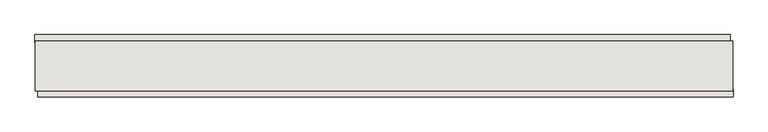
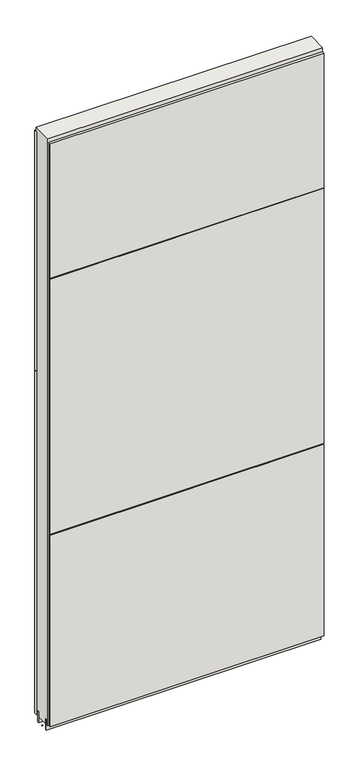
"""IFC4 building model written with IfcOpenShell, lengths in millimetres: wall geometry."""

import ifcopenshell
import ifcopenshell.guid

model = None  # the IFC model being written
_history = None  # IfcOwnerHistory: only IFC2X3 demands one
_inside = {}  # id of a spatial element -> (the spatial element, [elements in it])
_under = {}  # id of a project, library or spatial element -> (it, [spatial elements below it])
_declared = {}  # id of a project -> (the project, [libraries it declares])
_typed = {}  # id of a type object -> (the type object, [elements of that type])
_made_of = {}  # id of a material, layer set ... -> (it, [elements and type objects made of it])


def new_model(schema):
    """Start an empty IFC model of exactly this schema.

    Asked for "IFC4X3", IfcOpenShell would pick the latest addendum, in which some entities
    have other attributes; the version numbers below select the first issue.
    IFC2X3 requires an IfcOwnerHistory on every rooted entity: one is made here for all.
    """
    global model, _history
    if schema == "IFC4X3":
        model = ifcopenshell.file(schema_version=(4, 3, 0, 0))
    else:
        model = ifcopenshell.file(schema=schema)
    _inside.clear()
    _under.clear()
    _declared.clear()
    _typed.clear()
    _made_of.clear()
    _history = None
    if model.schema == "IFC2X3":
        org = make("IfcOrganization", Name="unknown")
        user = make(
            "IfcPersonAndOrganization",
            ThePerson=make("IfcPerson", FamilyName="unknown"),
            TheOrganization=org,
        )
        app = make(
            "IfcApplication",
            ApplicationDeveloper=org,
            Version="unknown",
            ApplicationFullName="unknown",
            ApplicationIdentifier="unknown",
        )
        _history = make(
            "IfcOwnerHistory",
            OwningUser=user,
            OwningApplication=app,
            ChangeAction="ADDED",
            CreationDate=0,
        )
    return model


def make(cls, **values):
    """One entity of the class cls with the attributes given. An attribute that is None is left unset."""
    return model.create_entity(
        cls, **{name: value for name, value in values.items() if value is not None}
    )


def rooted(cls, **values):
    """An entity with a GlobalId (a new one), such as an element, a storey or a relation."""
    return make(cls, GlobalId=ifcopenshell.guid.new(), OwnerHistory=_history, **values)


def si_unit(unit_type, name, prefix=None):
    """IfcSIUnit, for example si_unit("LENGTHUNIT", "METRE", prefix="MILLI")."""
    return make("IfcSIUnit", UnitType=unit_type, Prefix=prefix, Name=name)


def assignment(units):
    """IfcUnitAssignment: the units of a project."""
    return None if units is None else make("IfcUnitAssignment", Units=units)


def point(xyz):
    """IfcCartesianPoint."""
    return None if xyz is None else make("IfcCartesianPoint", Coordinates=xyz)


def direction(xyz):
    """IfcDirection."""
    return None if xyz is None else make("IfcDirection", DirectionRatios=xyz)


def frame(location, z_axis=None, x_axis=None):
    """IfcAxis2Placement3D, a coordinate frame: its origin and axes. An axis left out is left unset."""
    return make(
        "IfcAxis2Placement3D",
        Location=point(location),
        Axis=direction(z_axis),
        RefDirection=direction(x_axis),
    )


def origin():
    """The frame at (0, 0, 0) with its axes left unset."""
    return frame((0.0, 0.0, 0.0))


def place(relative_to, where):
    """IfcLocalPlacement: puts the frame where relative to a parent placement (None: the world)."""
    return make(
        "IfcLocalPlacement", PlacementRelTo=relative_to, RelativePlacement=where
    )


def context(
    kind, dimensions, precision=None, world=None, true_north=None, identifier=None
):
    """IfcGeometricRepresentationContext, for example the 3D "Model" context."""
    return make(
        "IfcGeometricRepresentationContext",
        ContextIdentifier=identifier,
        ContextType=kind,
        CoordinateSpaceDimension=dimensions,
        Precision=precision,
        WorldCoordinateSystem=world,
        TrueNorth=true_north,
    )


def project(units=None, contexts=None):
    """IfcProject with its units and contexts."""
    return rooted(
        "IfcProject",
        Name="project",
        RepresentationContexts=contexts,
        UnitsInContext=assignment(units),
    )


def spatial(cls, under=None, at=None, **own):
    """A site, building, storey or space (cls), placed at a placement, below another one or the project."""
    s = rooted(cls, ObjectPlacement=at, **own)
    if under is not None:
        _under.setdefault(under.id(), (under, []))[1].append(s)
    return s


def polyline(points):
    """IfcPolyline through the points."""
    return make("IfcPolyline", Points=[point(p) for p in points])


def outline(outer, holes=None, kind="AREA"):
    """IfcArbitraryClosedProfileDef: a profile drawn as a closed curve; with holes, ...WithVoids."""
    if holes is None:
        return make("IfcArbitraryClosedProfileDef", ProfileType=kind, OuterCurve=outer)
    return make(
        "IfcArbitraryProfileDefWithVoids",
        ProfileType=kind,
        OuterCurve=outer,
        InnerCurves=holes,
    )


def extrude(swept, where, along, depth):
    """IfcExtrudedAreaSolid: the profile swept, set in the frame where, extruded along a direction by depth."""
    return make(
        "IfcExtrudedAreaSolid",
        SweptArea=swept,
        Position=where,
        ExtrudedDirection=direction(along),
        Depth=depth,
    )


def shape(context_of_items, identifier, shape_type, items):
    """IfcShapeRepresentation: the items that make up one representation, for example the "Body"."""
    return make(
        "IfcShapeRepresentation",
        ContextOfItems=context_of_items,
        RepresentationIdentifier=identifier,
        RepresentationType=shape_type,
        Items=items,
    )


def source(mapping_origin, context_of_items, identifier, shape_type, items):
    """IfcRepresentationMap: a shape defined once, which mapped items show again and again."""
    return make(
        "IfcRepresentationMap",
        MappingOrigin=mapping_origin,
        MappedRepresentation=shape(context_of_items, identifier, shape_type, items),
    )


def transform(
    local_origin,
    x_axis=None,
    y_axis=None,
    z_axis=None,
    scale=None,
    scale2=None,
    scale3=None,
    uniform=True,
):
    """IfcCartesianTransformationOperator3D, or its non-uniform kind. x_axis, y_axis, z_axis: its Axis1, 2, 3."""
    if uniform:
        return make(
            "IfcCartesianTransformationOperator3D",
            Axis1=direction(x_axis),
            Axis2=direction(y_axis),
            LocalOrigin=point(local_origin),
            Scale=scale,
            Axis3=direction(z_axis),
        )
    return make(
        "IfcCartesianTransformationOperator3DnonUniform",
        Axis1=direction(x_axis),
        Axis2=direction(y_axis),
        LocalOrigin=point(local_origin),
        Scale=scale,
        Axis3=direction(z_axis),
        Scale2=scale2,
        Scale3=scale3,
    )


def mapped(mapping_source, mapping_target):
    """IfcMappedItem: shows the shape of a source again, moved by a transform."""
    return make(
        "IfcMappedItem", MappingSource=mapping_source, MappingTarget=mapping_target
    )


def made_of(thing, what):
    """Note that an element or type object is made of a material, layer set ...; save() writes the relation."""
    if what is not None:
        _made_of.setdefault(what.id(), (what, []))[1].append(thing)
    return thing


def element(
    cls,
    number,
    at=None,
    inside=None,
    cuts=None,
    type_object=None,
    material=None,
    context=None,
    identifier="Body",
    shape_type=None,
    held_by="IfcProductDefinitionShape",
    body=None,
    shapes=None,
    **own,
):
    """One element of the class cls, such as IfcWall. Its Tag is "e" and its number.

    at: its placement. inside: the storey or other place that contains it. cuts: it is an
    opening in that element (IfcRelVoidsElement). A single representation is given by context,
    identifier, shape_type and body (its items); several are given by shapes. held_by: the class
    of the entity that holds the representations. save() writes the other relations.
    """
    e = rooted(cls, Tag="e%d" % number, ObjectPlacement=at, **own)
    if body is not None:
        shapes = [shape(context, identifier, shape_type, body)]
    if shapes is not None:
        e.Representation = make(held_by, Representations=shapes)
    if inside is not None:
        _inside.setdefault(inside.id(), (inside, []))[1].append(e)
    if cuts is not None:
        rooted(
            "IfcRelVoidsElement", RelatingBuildingElement=cuts, RelatedOpeningElement=e
        )
    if type_object is not None:
        _typed.setdefault(type_object.id(), (type_object, []))[1].append(e)
    return made_of(e, material)


def aggregate(whole, parts):
    """IfcRelAggregates: a whole, such as a stair, and the parts it consists of."""
    return rooted("IfcRelAggregates", RelatingObject=whole, RelatedObjects=parts)


def save(model, path):
    """Write the relations noted so far, then the file.

    IfcRelAggregates (storeys below a building ...), IfcRelContainedInSpatialStructure (elements
    in a storey), IfcRelDefinesByType, IfcRelAssociatesMaterial and IfcRelDeclares: one each for
    every whole, place, type object, material and project.
    """
    for whole, parts in _under.values():
        aggregate(whole, parts)
    for where, things in _inside.values():
        rooted(
            "IfcRelContainedInSpatialStructure",
            RelatedElements=things,
            RelatingStructure=where,
        )
    for kind, things in _typed.values():
        rooted("IfcRelDefinesByType", RelatedObjects=things, RelatingType=kind)
    for what, things in _made_of.values():
        rooted("IfcRelAssociatesMaterial", RelatedObjects=things, RelatingMaterial=what)
    for by, libraries in _declared.values():
        rooted("IfcRelDeclares", RelatingContext=by, RelatedDefinitions=libraries)
    model.write(path)


def wall_ff918902(model_context):
    return source(origin(), model_context, "Body", "SweptSolid", [
        extrude(outline(polyline([(40521.2277204, -42604.8245692), (40518.6877204, -42604.8245692), (40518.6877204, -42602.2845692), (40521.2277204, -42602.2845692), (40521.2277204, -42604.8245692)])), frame((0.0, 0.0, 4419.6), z_axis=(0.0, 0.0, 1.0), x_axis=(1.0, 0.0, 0.0)), (0.0, 0.0, 1.0), 2.54),
        extrude(outline(polyline([(40518.2193444, -42552.757668), (41650.2721476, -42552.757668), (41650.2721476, -42565.457668), (40518.2193444, -42565.457668), (40518.2193444, -42552.757668)])), frame((0.0, 0.0, 5945.6000722), z_axis=(0.0, 0.0, 1.0), x_axis=(1.0, 0.0, 0.0)), (0.0, 0.0, 1.0), 1044.449905),
        extrude(outline(polyline([(40518.2193444, -42552.757668), (41650.2721476, -42552.757668), (41650.2721476, -42565.457668), (40518.2193444, -42565.457668), (40518.2193444, -42552.757668)])), frame((0.0, 0.0, 4445.0), z_axis=(0.0, 0.0, 1.0), x_axis=(1.0, 0.0, 0.0)), (0.0, 0.0, 1.0), 1496.600004),
        extrude(outline(polyline([(41655.2020844, -42654.357668), (40523.1492812, -42654.357668), (40523.1492812, -42641.657668), (41655.2020844, -42641.657668), (41655.2020844, -42654.357668)])), frame((0.0, 0.0, 6402.8000722), z_axis=(0.0, 0.0, 1.0), x_axis=(1.0, 0.0, 0.0)), (0.0, 0.0, 1.0), 587.2498034),
        extrude(outline(polyline([(41655.2020844, -42654.357668), (40523.1492812, -42654.357668), (40523.1492812, -42641.657668), (41655.2020844, -42641.657668), (41655.2020844, -42654.357668)])), frame((0.0, 0.0, 5285.2000722), z_axis=(0.0, 0.0, 1.0), x_axis=(1.0, 0.0, 0.0)), (0.0, 0.0, 1.0), 1113.5999572),
        extrude(outline(polyline([(41655.2020844, -42654.357668), (40523.1492812, -42654.357668), (40523.1492812, -42641.657668), (41655.2020844, -42641.657668), (41655.2020844, -42654.357668)])), frame((0.0, 0.0, 4445.0), z_axis=(0.0, 0.0, 1.0), x_axis=(1.0, 0.0, 0.0)), (0.0, 0.0, 1.0), 836.200004),
        extrude(outline(polyline([(41654.7287554, -42578.4770222), (40518.6895746, -42578.4770222), (40518.6895746, -42573.3982668), (41654.7287554, -42573.3982668), (41654.7287554, -42578.4770222)])), frame((0.0, 0.0, 4418.6602), z_axis=(0.0, 0.0, 1.0), x_axis=(1.0, 0.0, 0.0)), (0.0, 0.0, 1.0), 47.625),
        extrude(outline(polyline([(41654.7287554, -42578.4770222), (40518.6895746, -42578.4770222), (40518.6895746, -42573.3982668), (41654.7287554, -42573.3982668), (41654.7287554, -42578.4770222)])), frame((0.0, 0.0, 4418.6602), z_axis=(0.0, 0.0, 1.0), x_axis=(1.0, 0.0, 0.0)), (0.0, 0.0, 1.0), 47.625),
        extrude(outline(polyline([(40518.6895746, -42628.6414126), (41654.7287554, -42628.6414126), (41654.7287554, -42633.7232668), (40518.6895746, -42633.7232668), (40518.6895746, -42628.6414126)])), frame((0.0, 0.0, 4418.6602), z_axis=(0.0, 0.0, 1.0), x_axis=(1.0, 0.0, 0.0)), (0.0, 0.0, 1.0), 47.625),
        extrude(outline(polyline([(40518.6895746, -42628.6414126), (41654.7287554, -42628.6414126), (41654.7287554, -42633.7232668), (40518.6895746, -42633.7232668), (40518.6895746, -42628.6414126)])), frame((0.0, 0.0, 4418.6602), z_axis=(0.0, 0.0, 1.0), x_axis=(1.0, 0.0, 0.0)), (0.0, 0.0, 1.0), 47.625),
        extrude(outline(polyline([(41654.7287554, -42562.9058824), (41654.7287554, -42644.2125524), (40518.6895746, -42644.1877366), (40518.6895746, -42562.9058824), (41654.7287554, -42562.9058824)])), frame((0.0, 0.0, 4445.0), z_axis=(0.0, 0.0, 1.0), x_axis=(1.0, 0.0, 0.0)), (0.0, 0.0, 1.0), 2562.4536762),
    ])


if __name__ == "__main__":
    model = new_model("IFC4")
    model_context = context("Model", 3, world=origin())
    ifc_project = project(units=[si_unit("LENGTHUNIT", "METRE", prefix="MILLI")], contexts=[model_context])
    site = spatial("IfcSite", under=ifc_project)
    building = spatial("IfcBuilding", under=site)
    placement = place(None, origin())
    wall_shape = wall_ff918902(model_context)
    element("IfcWall", 1, at=placement, inside=building, context=model_context, shape_type="MappedRepresentation", body=[
        mapped(wall_shape, transform((0.0, 0.0, 0.0), x_axis=(1.0, 0.0, 0.0), y_axis=(0.0, 1.0, 0.0), z_axis=(0.0, 0.0, 1.0))),
    ])
    save(model, "model.ifc")
